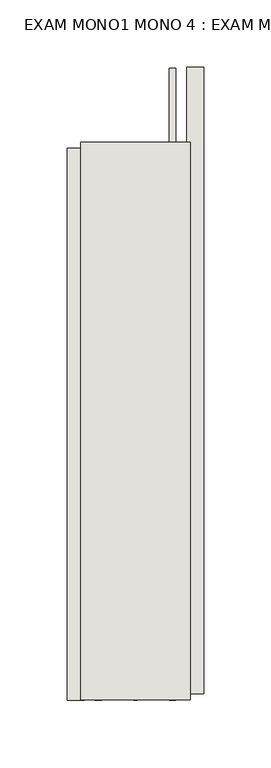
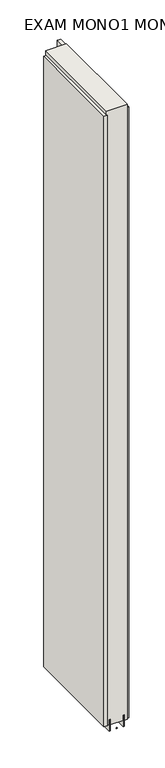
"""IFC4 building model written with IfcOpenShell, lengths in millimetres: wall geometry, EXAM MONO1 MONO 4 : EXAM MONO1 MONO 4."""

from ifc_helpers import new_model, si_unit, frame, origin, place, context, project, spatial, polyline, outline, extrude, source, transform, mapped, element, save


def exam_mono1_mono_4_exam_mono1_mono_4_ffd22556(model_context):
    return source(origin(), model_context, "Body", "SweptSolid", [
        extrude(outline(polyline([(81690.882211, -54133.310961), (81690.882211, -54135.850961), (81688.342211, -54135.850961), (81688.342211, -54133.310961), (81690.882211, -54133.310961)])), frame((0.0, 0.0, 4419.6), z_axis=(0.0, 0.0, 1.0), x_axis=(1.0, 0.0, 0.0)), (0.0, 0.0, 1.0), 2.54),
        extrude(outline(polyline([(81638.812211, -54136.3177876), (81638.812211, -53725.2410888), (81651.512211, -53725.2410888), (81651.512211, -54136.3177876), (81638.812211, -54136.3177876)])), frame((0.0, 0.0, 4445.0), z_axis=(0.0, 0.0, 1.0), x_axis=(1.0, 0.0, 0.0)), (0.0, 0.0, 1.0), 2545.0498756),
        extrude(outline(polyline([(81740.412211, -53665.0101196), (81740.412211, -54131.3868348), (81727.712211, -54131.3868348), (81727.712211, -53665.0101196), (81740.412211, -53665.0101196)])), frame((0.0, 0.0, 4445.0), z_axis=(0.0, 0.0, 1.0), x_axis=(1.0, 0.0, 0.0)), (0.0, 0.0, 1.0), 2545.0498756),
        extrude(outline(polyline([(81664.5284664, -53720.7705618), (81664.5284664, -54135.8584032), (81659.449711, -54135.8584032), (81659.449711, -53720.7705618), (81664.5284664, -53720.7705618)])), frame((0.0, 0.0, 4418.6602), z_axis=(0.0, 0.0, 1.0), x_axis=(1.0, 0.0, 0.0)), (0.0, 0.0, 1.0), 47.625),
        extrude(outline(polyline([(81664.5284664, -53720.7705618), (81664.5284664, -54135.8584032), (81659.449711, -54135.8584032), (81659.449711, -53720.7705618), (81664.5284664, -53720.7705618)])), frame((0.0, 0.0, 4418.6602), z_axis=(0.0, 0.0, 1.0), x_axis=(1.0, 0.0, 0.0)), (0.0, 0.0, 1.0), 47.625),
        extrude(outline(polyline([(81714.6959556, -54135.8584032), (81714.6959556, -53665.474711), (81719.774711, -53665.474711), (81719.774711, -54135.8584032), (81714.6959556, -54135.8584032)])), frame((0.0, 0.0, 4418.6602), z_axis=(0.0, 0.0, 1.0), x_axis=(1.0, 0.0, 0.0)), (0.0, 0.0, 1.0), 47.625),
        extrude(outline(polyline([(81714.6959556, -54135.8584032), (81714.6959556, -53665.474711), (81719.774711, -53665.474711), (81719.774711, -54135.8584032), (81714.6959556, -54135.8584032)])), frame((0.0, 0.0, 4418.6602), z_axis=(0.0, 0.0, 1.0), x_axis=(1.0, 0.0, 0.0)), (0.0, 0.0, 1.0), 47.625),
        extrude(outline(polyline([(81648.9573266, -53720.7705618), (81730.2670954, -53720.7705618), (81730.2670954, -54135.8584032), (81648.9573266, -54135.8584032), (81648.9573266, -53720.7705618)])), frame((0.0, 0.0, 4445.0), z_axis=(0.0, 0.0, 1.0), x_axis=(1.0, 0.0, 0.0)), (0.0, 0.0, 1.0), 2562.4536762),
    ])


if __name__ == "__main__":
    model = new_model("IFC4")
    model_context = context("Model", 3, world=origin())
    ifc_project = project(units=[si_unit("LENGTHUNIT", "METRE", prefix="MILLI")], contexts=[model_context])
    site = spatial("IfcSite", under=ifc_project)
    building = spatial("IfcBuilding", under=site)
    placement = place(None, origin())
    exam_mono1_mono_4_exam_mono1_mono_4_shape = exam_mono1_mono_4_exam_mono1_mono_4_ffd22556(model_context)
    element("IfcWall", 1, ObjectType="EXAM MONO1 MONO 4 : EXAM MONO1 MONO 4", at=placement, inside=building, context=model_context, shape_type="MappedRepresentation", body=[
        mapped(exam_mono1_mono_4_exam_mono1_mono_4_shape, transform((0.0, 0.0, 0.0), x_axis=(1.0, 0.0, 0.0), y_axis=(0.0, 1.0, 0.0), z_axis=(0.0, 0.0, 1.0))),
    ])
    save(model, "model.ifc")
